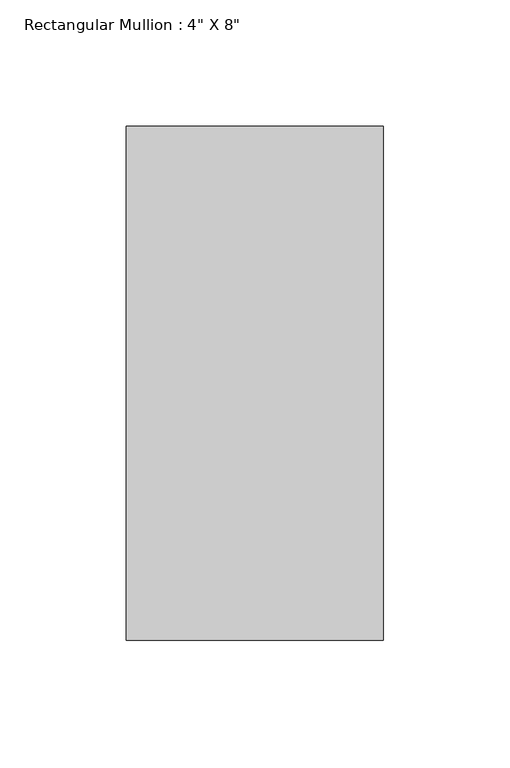
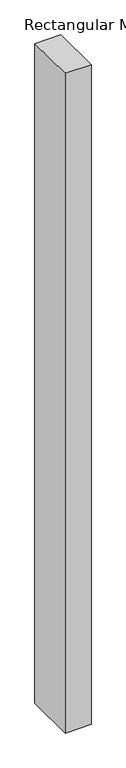
"""IFC4 building model written with IfcOpenShell, lengths in millimetres: member geometry."""

import ifcopenshell
import ifcopenshell.guid

model = None  # the IFC model being written
_history = None  # IfcOwnerHistory: only IFC2X3 demands one
_inside = {}  # id of a spatial element -> (the spatial element, [elements in it])
_under = {}  # id of a project, library or spatial element -> (it, [spatial elements below it])
_declared = {}  # id of a project -> (the project, [libraries it declares])
_typed = {}  # id of a type object -> (the type object, [elements of that type])
_made_of = {}  # id of a material, layer set ... -> (it, [elements and type objects made of it])


def new_model(schema):
    """Start an empty IFC model of exactly this schema.

    Asked for "IFC4X3", IfcOpenShell would pick the latest addendum, in which some entities
    have other attributes; the version numbers below select the first issue.
    IFC2X3 requires an IfcOwnerHistory on every rooted entity: one is made here for all.
    """
    global model, _history
    if schema == "IFC4X3":
        model = ifcopenshell.file(schema_version=(4, 3, 0, 0))
    else:
        model = ifcopenshell.file(schema=schema)
    _inside.clear()
    _under.clear()
    _declared.clear()
    _typed.clear()
    _made_of.clear()
    _history = None
    if model.schema == "IFC2X3":
        org = make("IfcOrganization", Name="unknown")
        user = make(
            "IfcPersonAndOrganization",
            ThePerson=make("IfcPerson", FamilyName="unknown"),
            TheOrganization=org,
        )
        app = make(
            "IfcApplication",
            ApplicationDeveloper=org,
            Version="unknown",
            ApplicationFullName="unknown",
            ApplicationIdentifier="unknown",
        )
        _history = make(
            "IfcOwnerHistory",
            OwningUser=user,
            OwningApplication=app,
            ChangeAction="ADDED",
            CreationDate=0,
        )
    return model


def make(cls, **values):
    """One entity of the class cls with the attributes given. An attribute that is None is left unset."""
    return model.create_entity(
        cls, **{name: value for name, value in values.items() if value is not None}
    )


def rooted(cls, **values):
    """An entity with a GlobalId (a new one), such as an element, a storey or a relation."""
    return make(cls, GlobalId=ifcopenshell.guid.new(), OwnerHistory=_history, **values)


def si_unit(unit_type, name, prefix=None):
    """IfcSIUnit, for example si_unit("LENGTHUNIT", "METRE", prefix="MILLI")."""
    return make("IfcSIUnit", UnitType=unit_type, Prefix=prefix, Name=name)


def assignment(units):
    """IfcUnitAssignment: the units of a project."""
    return None if units is None else make("IfcUnitAssignment", Units=units)


def point(xyz):
    """IfcCartesianPoint."""
    return None if xyz is None else make("IfcCartesianPoint", Coordinates=xyz)


def direction(xyz):
    """IfcDirection."""
    return None if xyz is None else make("IfcDirection", DirectionRatios=xyz)


def frame(location, z_axis=None, x_axis=None):
    """IfcAxis2Placement3D, a coordinate frame: its origin and axes. An axis left out is left unset."""
    return make(
        "IfcAxis2Placement3D",
        Location=point(location),
        Axis=direction(z_axis),
        RefDirection=direction(x_axis),
    )


def origin():
    """The frame at (0, 0, 0) with its axes left unset."""
    return frame((0.0, 0.0, 0.0))


def place(relative_to, where):
    """IfcLocalPlacement: puts the frame where relative to a parent placement (None: the world)."""
    return make(
        "IfcLocalPlacement", PlacementRelTo=relative_to, RelativePlacement=where
    )


def context(
    kind, dimensions, precision=None, world=None, true_north=None, identifier=None
):
    """IfcGeometricRepresentationContext, for example the 3D "Model" context."""
    return make(
        "IfcGeometricRepresentationContext",
        ContextIdentifier=identifier,
        ContextType=kind,
        CoordinateSpaceDimension=dimensions,
        Precision=precision,
        WorldCoordinateSystem=world,
        TrueNorth=true_north,
    )


def project(units=None, contexts=None):
    """IfcProject with its units and contexts."""
    return rooted(
        "IfcProject",
        Name="project",
        RepresentationContexts=contexts,
        UnitsInContext=assignment(units),
    )


def spatial(cls, under=None, at=None, **own):
    """A site, building, storey or space (cls), placed at a placement, below another one or the project."""
    s = rooted(cls, ObjectPlacement=at, **own)
    if under is not None:
        _under.setdefault(under.id(), (under, []))[1].append(s)
    return s


def polyline(points):
    """IfcPolyline through the points."""
    return make("IfcPolyline", Points=[point(p) for p in points])


def outline(outer, holes=None, kind="AREA"):
    """IfcArbitraryClosedProfileDef: a profile drawn as a closed curve; with holes, ...WithVoids."""
    if holes is None:
        return make("IfcArbitraryClosedProfileDef", ProfileType=kind, OuterCurve=outer)
    return make(
        "IfcArbitraryProfileDefWithVoids",
        ProfileType=kind,
        OuterCurve=outer,
        InnerCurves=holes,
    )


def extrude(swept, where, along, depth):
    """IfcExtrudedAreaSolid: the profile swept, set in the frame where, extruded along a direction by depth."""
    return make(
        "IfcExtrudedAreaSolid",
        SweptArea=swept,
        Position=where,
        ExtrudedDirection=direction(along),
        Depth=depth,
    )


def shape(context_of_items, identifier, shape_type, items):
    """IfcShapeRepresentation: the items that make up one representation, for example the "Body"."""
    return make(
        "IfcShapeRepresentation",
        ContextOfItems=context_of_items,
        RepresentationIdentifier=identifier,
        RepresentationType=shape_type,
        Items=items,
    )


def source(mapping_origin, context_of_items, identifier, shape_type, items):
    """IfcRepresentationMap: a shape defined once, which mapped items show again and again."""
    return make(
        "IfcRepresentationMap",
        MappingOrigin=mapping_origin,
        MappedRepresentation=shape(context_of_items, identifier, shape_type, items),
    )


def transform(
    local_origin,
    x_axis=None,
    y_axis=None,
    z_axis=None,
    scale=None,
    scale2=None,
    scale3=None,
    uniform=True,
):
    """IfcCartesianTransformationOperator3D, or its non-uniform kind. x_axis, y_axis, z_axis: its Axis1, 2, 3."""
    if uniform:
        return make(
            "IfcCartesianTransformationOperator3D",
            Axis1=direction(x_axis),
            Axis2=direction(y_axis),
            LocalOrigin=point(local_origin),
            Scale=scale,
            Axis3=direction(z_axis),
        )
    return make(
        "IfcCartesianTransformationOperator3DnonUniform",
        Axis1=direction(x_axis),
        Axis2=direction(y_axis),
        LocalOrigin=point(local_origin),
        Scale=scale,
        Axis3=direction(z_axis),
        Scale2=scale2,
        Scale3=scale3,
    )


def mapped(mapping_source, mapping_target):
    """IfcMappedItem: shows the shape of a source again, moved by a transform."""
    return make(
        "IfcMappedItem", MappingSource=mapping_source, MappingTarget=mapping_target
    )


def made_of(thing, what):
    """Note that an element or type object is made of a material, layer set ...; save() writes the relation."""
    if what is not None:
        _made_of.setdefault(what.id(), (what, []))[1].append(thing)
    return thing


def element(
    cls,
    number,
    at=None,
    inside=None,
    cuts=None,
    type_object=None,
    material=None,
    context=None,
    identifier="Body",
    shape_type=None,
    held_by="IfcProductDefinitionShape",
    body=None,
    shapes=None,
    **own,
):
    """One element of the class cls, such as IfcWall. Its Tag is "e" and its number.

    at: its placement. inside: the storey or other place that contains it. cuts: it is an
    opening in that element (IfcRelVoidsElement). A single representation is given by context,
    identifier, shape_type and body (its items); several are given by shapes. held_by: the class
    of the entity that holds the representations. save() writes the other relations.
    """
    e = rooted(cls, Tag="e%d" % number, ObjectPlacement=at, **own)
    if body is not None:
        shapes = [shape(context, identifier, shape_type, body)]
    if shapes is not None:
        e.Representation = make(held_by, Representations=shapes)
    if inside is not None:
        _inside.setdefault(inside.id(), (inside, []))[1].append(e)
    if cuts is not None:
        rooted(
            "IfcRelVoidsElement", RelatingBuildingElement=cuts, RelatedOpeningElement=e
        )
    if type_object is not None:
        _typed.setdefault(type_object.id(), (type_object, []))[1].append(e)
    return made_of(e, material)


def aggregate(whole, parts):
    """IfcRelAggregates: a whole, such as a stair, and the parts it consists of."""
    return rooted("IfcRelAggregates", RelatingObject=whole, RelatedObjects=parts)


def save(model, path):
    """Write the relations noted so far, then the file.

    IfcRelAggregates (storeys below a building ...), IfcRelContainedInSpatialStructure (elements
    in a storey), IfcRelDefinesByType, IfcRelAssociatesMaterial and IfcRelDeclares: one each for
    every whole, place, type object, material and project.
    """
    for whole, parts in _under.values():
        aggregate(whole, parts)
    for where, things in _inside.values():
        rooted(
            "IfcRelContainedInSpatialStructure",
            RelatedElements=things,
            RelatingStructure=where,
        )
    for kind, things in _typed.values():
        rooted("IfcRelDefinesByType", RelatedObjects=things, RelatingType=kind)
    for what, things in _made_of.values():
        rooted("IfcRelAssociatesMaterial", RelatedObjects=things, RelatingMaterial=what)
    for by, libraries in _declared.values():
        rooted("IfcRelDeclares", RelatingContext=by, RelatedDefinitions=libraries)
    model.write(path)


def member_01802d79(model_context):
    return source(origin(), model_context, "Body", "SweptSolid", [
        extrude(outline(polyline([(50.8, 63.5), (50.8, -139.7), (-50.8, -139.7), (-50.8, 63.5), (50.8, 63.5)])), frame((0.0, 0.0, -2717.8), z_axis=(0.0, 0.0, 1.0), x_axis=(1.0, 0.0, 0.0)), (0.0, 0.0, 1.0), 2717.8),
    ])


if __name__ == "__main__":
    model = new_model("IFC4")
    model_context = context("Model", 3, world=origin())
    ifc_project = project(units=[si_unit("LENGTHUNIT", "METRE", prefix="MILLI")], contexts=[model_context])
    site = spatial("IfcSite", under=ifc_project)
    building = spatial("IfcBuilding", under=site)
    placement = place(None, origin())
    member_shape = member_01802d79(model_context)
    element("IfcMember", 1, ObjectType="Rectangular Mullion : 4\" X 8\"", at=placement, inside=building, context=model_context, shape_type="MappedRepresentation", body=[
        mapped(member_shape, transform((0.0, 0.0, 0.0), x_axis=(1.0, 0.0, 0.0), y_axis=(0.0, 1.0, 0.0), z_axis=(0.0, 0.0, 1.0))),
    ])
    save(model, "model.ifc")
